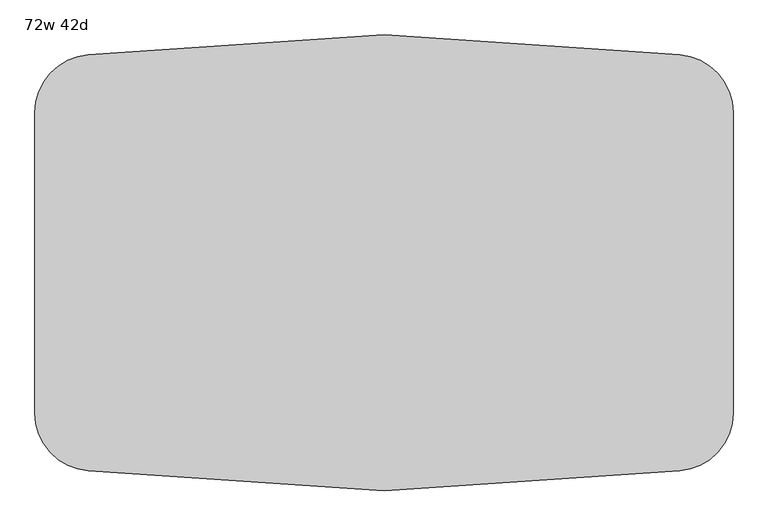
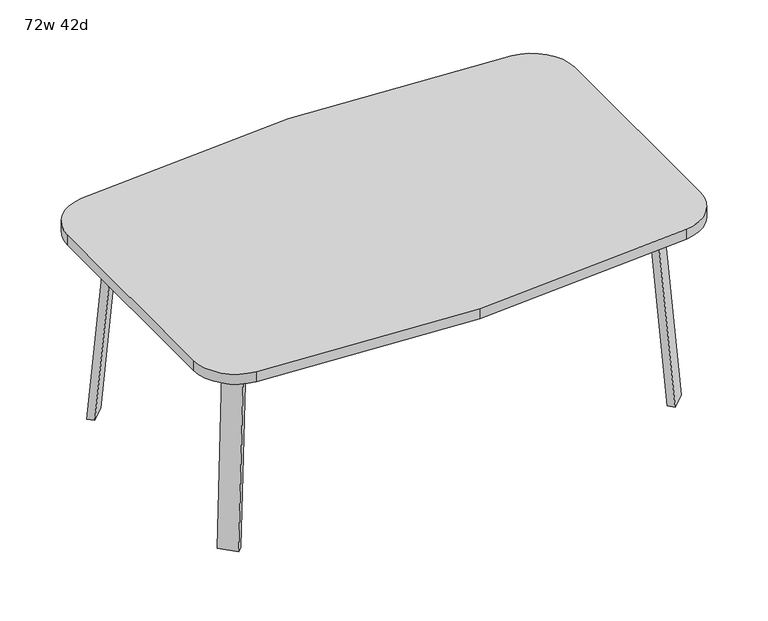
"""IFC4 building model written with IfcOpenShell, lengths in millimetres: furniture geometry, 72w 42d."""

from ifc_helpers import new_model, si_unit, point, frame, frame_2d, origin, place, context, project, spatial, polyline, circle_curve, trimmed, segment, composite_curve, outline, extrude, faceted_brep, source, transform, mapped, element, save


def furniture_72w_42d_d2c26efc(model_context):
    return source(origin(), model_context, "Body", "SolidModel", [
        faceted_brep([(606.2753042, -350.2920519, 695.325), (645.7884312, -310.778925, 695.325), (700.9047531, -365.8952469, 695.325), (694.2631053, -372.5368947, 695.325), (633.2160726, -377.2328203, 695.325), (753.5368947, -313.2631053, 695.325), (747.6020849, -319.1979151, 695.325), (692.485763, -264.0815931, 695.325), (731.9988899, -224.5684662, 695.325), (758.9396583, -251.5092346, 695.325), (606.2753042, -350.2920519, 698.5), (633.2160726, -377.2328203, 698.5), (694.2631053, -372.5368947, 698.5), (753.5368947, -313.2631053, 698.5), (758.9396583, -251.5092346, 698.5), (731.9988899, -224.5684662, 698.5), (700.9047531, -365.8952469, 673.1), (747.6020849, -319.1979151, 673.1), (656.0034725, -320.9939663, 673.1), (702.7008043, -274.2966345, 673.1)], [[[0, 1, 2, 3, 4]], [[5, 6, 7, 8, 9]], [[10, 11, 12, 13, 14, 15]], [[4, 11, 10, 0]], [[3, 12, 11, 4]], [[12, 3, 2, 16, 17, 6, 5, 13]], [[9, 14, 13, 5]], [[8, 15, 14, 9]], [[15, 8, 7, 1, 0, 10]], [[2, 1, 18, 16]], [[7, 6, 17, 19]], [[18, 19, 17, 16]], [[1, 7, 19, 18]]]),
        extrude(outline(composite_curve([segment(polyline([(-698.9257667, 0.0), (-704.4601563, 63.2583633), (-679.156811, 65.4721192), (-677.172355, 42.7896831)]), True, "CONTINUOUS"), segment(trimmed(circle_curve(frame_2d((-658.194846, 44.45)), 19.05), [point((-677.172355, 42.7896831))], [point((-658.194846, 25.4))], True, "CARTESIAN"), True, "CONTINUOUS"), segment(polyline([(-658.194846, 25.4), (0.0201778, 25.4), (2.2423899, 0.0), (-698.9257667, 0.0)]), True, "CONTINUOUS")], self_intersect=False)), frame((787.1792647, -455.5706733, 2.2338569), z_axis=(0.7071067811865512, 0.707106781186544, 0.0), x_axis=(0.06162841671622733, -0.06162841671621349, -0.9961946980917454)), (0.0, 0.0, 1.0), 69.85),
        faceted_brep([(606.2753042, 350.2920519, 695.325), (633.2160726, 377.2328203, 695.325), (694.2631053, 372.5368947, 695.325), (700.9047531, 365.8952469, 695.325), (645.7884312, 310.778925, 695.325), (753.5368947, 313.2631053, 695.325), (758.9396583, 251.5092346, 695.325), (731.9988899, 224.5684662, 695.325), (692.485763, 264.0815931, 695.325), (747.6020849, 319.1979151, 695.325), (606.2753042, 350.2920519, 698.5), (731.9988899, 224.5684662, 698.5), (758.9396583, 251.5092346, 698.5), (753.5368947, 313.2631053, 698.5), (694.2631053, 372.5368947, 698.5), (633.2160726, 377.2328203, 698.5), (747.6020849, 319.1979151, 673.1), (700.9047531, 365.8952469, 673.1), (656.0034725, 320.9939663, 673.1), (702.7008043, 274.2966345, 673.1)], [[[0, 1, 2, 3, 4]], [[5, 6, 7, 8, 9]], [[10, 11, 12, 13, 14, 15]], [[1, 0, 10, 15]], [[2, 1, 15, 14]], [[14, 13, 5, 9, 16, 17, 3, 2]], [[6, 5, 13, 12]], [[7, 6, 12, 11]], [[11, 10, 0, 4, 8, 7]], [[3, 17, 18, 4]], [[8, 19, 16, 9]], [[18, 17, 16, 19]], [[4, 18, 19, 8]]]),
        extrude(outline(composite_curve([segment(polyline([(698.9257667, 0.0), (704.4601563, -63.2583633), (679.156811, -65.4721192), (677.172355, -42.7896831)]), True, "CONTINUOUS"), segment(trimmed(circle_curve(frame_2d((658.194846, -44.45)), 19.05), [point((677.172355, -42.7896831))], [point((658.194846, -25.4))], True, "CARTESIAN"), True, "CONTINUOUS"), segment(polyline([(658.194846, -25.4), (-0.0201778, -25.4), (-2.2423899, 0.0), (698.9257667, 0.0)]), True, "CONTINUOUS")], self_intersect=False)), frame((836.5706733, 406.1792647, 2.2338569), z_axis=(-0.7071067811865512, 0.707106781186544, 0.0), x_axis=(-0.06162841671622733, -0.06162841671621349, 0.9961946980917454)), (0.0, 0.0, 1.0), 69.85),
        faceted_brep([(-606.2753042, 350.2920519, 695.325), (-645.7884312, 310.778925, 695.325), (-700.9047531, 365.8952469, 695.325), (-694.2631053, 372.5368947, 695.325), (-633.2160726, 377.2328203, 695.325), (-753.5368947, 313.2631053, 695.325), (-747.6020849, 319.1979151, 695.325), (-692.485763, 264.0815931, 695.325), (-731.9988899, 224.5684662, 695.325), (-758.9396583, 251.5092346, 695.325), (-606.2753042, 350.2920519, 698.5), (-633.2160726, 377.2328203, 698.5), (-694.2631053, 372.5368947, 698.5), (-753.5368947, 313.2631053, 698.5), (-758.9396583, 251.5092346, 698.5), (-731.9988899, 224.5684662, 698.5), (-700.9047531, 365.8952469, 673.1), (-747.6020849, 319.1979151, 673.1), (-656.0034725, 320.9939663, 673.1), (-702.7008043, 274.2966345, 673.1)], [[[0, 1, 2, 3, 4]], [[5, 6, 7, 8, 9]], [[10, 11, 12, 13, 14, 15]], [[4, 11, 10, 0]], [[3, 12, 11, 4]], [[12, 3, 2, 16, 17, 6, 5, 13]], [[9, 14, 13, 5]], [[8, 15, 14, 9]], [[15, 8, 7, 1, 0, 10]], [[2, 1, 18, 16]], [[7, 6, 17, 19]], [[18, 19, 17, 16]], [[1, 7, 19, 18]]]),
        extrude(outline(composite_curve([segment(polyline([(698.9257667, 0.0), (-2.2423899, 0.0), (-0.0201778, 25.4), (658.194846, 25.4)]), True, "CONTINUOUS"), segment(trimmed(circle_curve(frame_2d((658.194846, 44.45)), 19.05), [point((658.194846, 25.4))], [point((677.172355, 42.7896831))], True, "CARTESIAN"), True, "CONTINUOUS"), segment(polyline([(677.172355, 42.7896831), (679.156811, 65.4721192), (704.4601563, 63.2583633), (698.9257667, 0.0)]), True, "CONTINUOUS")], self_intersect=False)), frame((-836.5706733, 406.1792647, 2.2338569), z_axis=(0.7071067811865512, 0.707106781186544, 0.0), x_axis=(0.06162841671622733, -0.06162841671621349, 0.9961946980917454)), (0.0, 0.0, 1.0), 69.85),
        faceted_brep([(-606.2753042, -350.2920519, 695.325), (-633.2160726, -377.2328203, 695.325), (-694.2631053, -372.5368947, 695.325), (-700.9047531, -365.8952469, 695.325), (-645.7884312, -310.778925, 695.325), (-753.5368947, -313.2631053, 695.325), (-758.9396583, -251.5092346, 695.325), (-731.9988899, -224.5684662, 695.325), (-692.485763, -264.0815931, 695.325), (-747.6020849, -319.1979151, 695.325), (-606.2753042, -350.2920519, 698.5), (-731.9988899, -224.5684662, 698.5), (-758.9396583, -251.5092346, 698.5), (-753.5368947, -313.2631053, 698.5), (-694.2631053, -372.5368947, 698.5), (-633.2160726, -377.2328203, 698.5), (-747.6020849, -319.1979151, 673.1), (-700.9047531, -365.8952469, 673.1), (-656.0034725, -320.9939663, 673.1), (-702.7008043, -274.2966345, 673.1)], [[[0, 1, 2, 3, 4]], [[5, 6, 7, 8, 9]], [[10, 11, 12, 13, 14, 15]], [[1, 0, 10, 15]], [[2, 1, 15, 14]], [[14, 13, 5, 9, 16, 17, 3, 2]], [[6, 5, 13, 12]], [[7, 6, 12, 11]], [[11, 10, 0, 4, 8, 7]], [[3, 17, 18, 4]], [[8, 19, 16, 9]], [[18, 17, 16, 19]], [[4, 18, 19, 8]]]),
        extrude(outline(composite_curve([segment(polyline([(-698.9257667, 0.0), (2.2423899, 0.0), (0.0201778, -25.4), (-658.194846, -25.4)]), True, "CONTINUOUS"), segment(trimmed(circle_curve(frame_2d((-658.194846, -44.45)), 19.05), [point((-658.194846, -25.4))], [point((-677.172355, -42.7896831))], True, "CARTESIAN"), True, "CONTINUOUS"), segment(polyline([(-677.172355, -42.7896831), (-679.156811, -65.4721192), (-704.4601563, -63.2583633), (-698.9257667, 0.0)]), True, "CONTINUOUS")], self_intersect=False)), frame((-787.1792647, -455.5706733, 2.2338569), z_axis=(-0.7071067811865512, 0.707106781186544, 0.0), x_axis=(-0.06162841671622733, -0.06162841671621349, -0.9961946980917454)), (0.0, 0.0, 1.0), 69.85),
        extrude(outline(composite_curve([segment(trimmed(circle_curve(frame_2d((-762.0, 393.1717488)), 152.4), [point((-914.4, 393.1717488))], [point((-774.6561311, 545.0453224))], False, "CARTESIAN"), True, "CONTINUOUS"), segment(polyline([(-774.6561311, 545.0453224), (0.0, 596.9), (774.6561311, 545.0453224)]), True, "CONTINUOUS"), segment(trimmed(circle_curve(frame_2d((762.0, 393.1717488)), 152.4), [point((774.6561311, 545.0453224))], [point((914.4, 393.1717488))], False, "CARTESIAN"), True, "CONTINUOUS"), segment(polyline([(914.4, 393.1717488), (914.4, -393.1717488)]), True, "CONTINUOUS"), segment(trimmed(circle_curve(frame_2d((762.0, -393.1717488)), 152.4), [point((914.4, -393.1717488))], [point((774.6561311, -545.0453224))], False, "CARTESIAN"), True, "CONTINUOUS"), segment(polyline([(774.6561311, -545.0453224), (0.0, -596.9), (-774.6561311, -545.0453224)]), True, "CONTINUOUS"), segment(trimmed(circle_curve(frame_2d((-762.0, -393.1717488)), 152.4), [point((-774.6561311, -545.0453224))], [point((-914.4, -393.1717488))], False, "CARTESIAN"), True, "CONTINUOUS"), segment(polyline([(-914.4, -393.1717488), (-914.4, 393.1717488)]), True, "CONTINUOUS")], self_intersect=False)), frame((0.0, 0.0, 698.5), z_axis=(0.0, 0.0, 1.0), x_axis=(1.0, 0.0, 0.0)), (0.0, 0.0, 1.0), 38.1),
    ])


if __name__ == "__main__":
    model = new_model("IFC4")
    model_context = context("Model", 3, world=origin())
    ifc_project = project(units=[si_unit("LENGTHUNIT", "METRE", prefix="MILLI")], contexts=[model_context])
    site = spatial("IfcSite", under=ifc_project)
    building = spatial("IfcBuilding", under=site)
    placement = place(None, origin())
    furniture_72w_42d_shape = furniture_72w_42d_d2c26efc(model_context)
    element("IfcFurniture", 1, ObjectType="72w 42d", at=placement, inside=building, context=model_context, shape_type="MappedRepresentation", body=[
        mapped(furniture_72w_42d_shape, transform((0.0, 0.0, 0.0), x_axis=(1.0, 0.0, 0.0), y_axis=(0.0, 1.0, 0.0), z_axis=(0.0, 0.0, 1.0))),
    ])
    save(model, "model.ifc")
